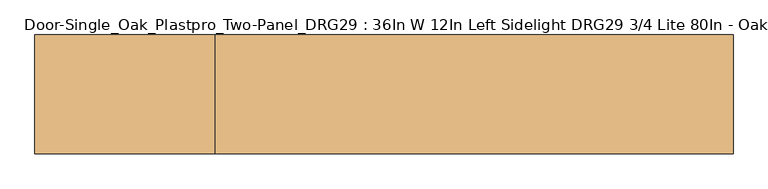
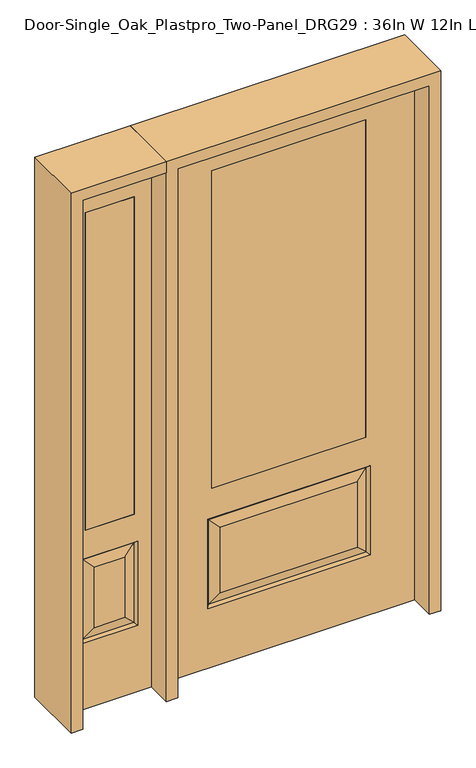
"""IFC4 building model written with IfcOpenShell, lengths in millimetres: door geometry, Door-Single_Oak_Plastpro_Two-Panel_DRG29 : 36In W 12In Left Sidelight DRG29 3/4 Lite 80In - Oak."""

from ifc_helpers import new_model, si_unit, frame, origin, place, context, project, spatial, polyline, outline, extrude, faceted_brep, source, transform, mapped, element, save


def door_single_oak_plastpro_two_panel_drg29_36in_w_12in_left_978daed8(model_context):
    return source(origin(), model_context, "Body", "SolidModel", [
        extrude(outline(polyline([(-279.4, -20.6375), (-279.4, 20.6375), (279.4, 20.6375), (279.4, -20.6375), (-279.4, -20.6375)])), frame((0.0, 0.0, 685.8), z_axis=(0.0, 0.0, 1.0), x_axis=(1.0, 0.0, 0.0)), (0.0, 0.0, 1.0), 1219.2),
        faceted_brep([(-249.1224548, -20.6375, 274.7525452), (249.1224548, -20.6375, 274.7525452), (249.1224548, -20.6375, 525.3474548), (-249.1224548, -20.6375, 525.3474548), (457.2, -20.6375, 2032.0), (-457.2, -20.6375, 2032.0), (-457.2, -20.6375, 0.0), (457.2, -20.6375, 0.0), (295.1599548, -20.6375, 228.7150452), (-295.1599548, -20.6375, 228.7150452), (-295.1599548, -20.6375, 571.3849548), (295.1599548, -20.6375, 571.3849548), (-279.4, -20.6375, 1905.0), (279.4, -20.6375, 1905.0), (279.4, -20.6375, 685.8), (-279.4, -20.6375, 685.8), (-279.4, 20.6375, 1905.0), (-279.4, 20.6375, 685.8), (279.4, 20.6375, 685.8), (249.1224548, 20.6375, 274.7525452), (-249.1224548, 20.6375, 274.7525452), (-249.1224548, 20.6375, 525.3474548), (249.1224548, 20.6375, 525.3474548), (-457.2, 20.6375, 2032.0), (457.2, 20.6375, 2032.0), (457.2, 20.6375, 0.0), (-457.2, 20.6375, 0.0), (-295.1599548, 20.6375, 228.7150452), (295.1599548, 20.6375, 228.7150452), (295.1599548, 20.6375, 571.3849548), (-295.1599548, 20.6375, 571.3849548), (279.4, 20.6375, 1905.0), (286.1796986, -11.6572439, 237.6953014), (-286.1796986, -11.6572439, 237.6953014), (-286.1796986, -11.6572439, 562.4046986), (286.1796986, -11.6572439, 562.4046986), (286.1796986, 11.6572439, 237.6953014), (-286.1796986, 11.6572439, 237.6953014), (-286.1796986, 11.6572439, 562.4046986), (286.1796986, 11.6572439, 562.4046986)], [[[0, 1, 2, 3]], [[4, 5, 6, 7], [8, 9, 10, 11], [12, 13, 14, 15]], [[16, 12, 15, 17]], [[17, 15, 14, 18]], [[19, 20, 21, 22]], [[23, 24, 25, 26], [27, 28, 29, 30], [31, 16, 17, 18]], [[13, 31, 18, 14]], [[6, 26, 25, 7]], [[5, 23, 26, 6]], [[24, 4, 7, 25]], [[32, 33, 9, 8]], [[9, 33, 34, 10]], [[10, 34, 35, 11]], [[32, 8, 11, 35]], [[33, 32, 1, 0]], [[1, 32, 35, 2]], [[34, 3, 2, 35]], [[33, 0, 3, 34]], [[36, 37, 20, 19]], [[20, 37, 38, 21]], [[21, 38, 39, 22]], [[36, 19, 22, 39]], [[37, 36, 28, 27]], [[28, 36, 39, 29]], [[38, 30, 29, 39]], [[37, 27, 30, 38]], [[12, 16, 31, 13]], [[5, 4, 24, 23]]]),
        extrude(outline(polyline([(-739.775, -20.6375), (-739.775, 20.6375), (-561.975, 20.6375), (-561.975, -20.6375), (-739.775, -20.6375)])), frame((0.0, 0.0, 685.8), z_axis=(0.0, 0.0, 1.0), x_axis=(1.0, 0.0, 0.0)), (0.0, 0.0, 1.0), 1219.2),
        faceted_brep([(-739.775, -20.6375, 1905.0), (-739.775, 20.6375, 1905.0), (-561.975, 20.6375, 1905.0), (-561.975, -20.6375, 1905.0), (-706.3224548, -20.6375, 531.6974548), (-706.3224548, -20.6375, 300.1525452), (-595.4275452, -20.6375, 300.1525452), (-595.4275452, -20.6375, 531.6974548), (-498.475, -20.6375, 2032.0), (-803.275, -20.6375, 2032.0), (-803.275, -20.6375, 0.0), (-498.475, -20.6375, 0.0), (-752.3599548, -20.6375, 254.1150452), (-752.3599548, -20.6375, 577.7349548), (-549.3900452, -20.6375, 577.7349548), (-549.3900452, -20.6375, 254.1150452), (-561.975, -20.6375, 685.8), (-739.775, -20.6375, 685.8), (-743.3796986, 11.6572439, 568.7546986), (-743.3796986, 11.6572439, 263.0953014), (-752.3599548, 20.6375, 254.1150452), (-752.3599548, 20.6375, 577.7349548), (-549.3900452, 20.6375, 577.7349548), (-558.3703014, 11.6572439, 568.7546986), (-706.3224548, 20.6375, 531.6974548), (-706.3224548, 20.6375, 300.1525452), (-739.775, 20.6375, 685.8), (-561.975, 20.6375, 685.8), (-743.3796986, -11.6572439, 263.0953014), (-558.3703014, -11.6572439, 263.0953014), (-558.3703014, -11.6572439, 568.7546986), (-743.3796986, -11.6572439, 568.7546986), (-498.475, 20.6375, 2032.0), (-803.275, 20.6375, 2032.0), (-498.475, 20.6375, 0.0), (-803.275, 20.6375, 0.0), (-549.3900452, 20.6375, 254.1150452), (-595.4275452, 20.6375, 531.6974548), (-595.4275452, 20.6375, 300.1525452), (-558.3703014, 11.6572439, 263.0953014)], [[[0, 1, 2, 3]], [[4, 5, 6, 7]], [[8, 9, 10, 11], [12, 13, 14, 15], [0, 3, 16, 17]], [[18, 19, 20, 21]], [[18, 21, 22, 23]], [[19, 18, 24, 25]], [[26, 17, 16, 27]], [[5, 28, 29, 6]], [[6, 29, 30, 7]], [[28, 31, 13, 12]], [[32, 33, 9, 8]], [[34, 11, 10, 35]], [[32, 8, 11, 34]], [[9, 33, 35, 10]], [[33, 32, 34, 35], [21, 20, 36, 22], [2, 1, 26, 27]], [[25, 24, 37, 38]], [[20, 19, 39, 36]], [[36, 39, 23, 22]], [[24, 18, 23, 37]], [[39, 38, 37, 23]], [[19, 25, 38, 39]], [[1, 0, 17, 26]], [[3, 2, 27, 16]], [[31, 28, 5, 4]], [[31, 4, 7, 30]], [[13, 31, 30, 14]], [[29, 15, 14, 30]], [[28, 12, 15, 29]]]),
        extrude(outline(polyline([(2032.0, -498.475), (2073.275, -498.475), (2073.275, -844.55), (0.0, -844.55), (0.0, -803.275), (2032.0, -803.275), (2032.0, -498.475)])), frame((0.0, -114.3, 0.0), z_axis=(0.0, 1.0, 0.0), x_axis=(0.0, 0.0, 1.0)), (0.0, 0.0, 1.0), 228.6),
        extrude(outline(polyline([(2073.275, -498.475), (0.0, -498.475), (0.0, -457.2), (2032.0, -457.2), (2032.0, 457.2), (0.0, 457.2), (0.0, 498.475), (2073.275, 498.475), (2073.275, -498.475)])), frame((0.0, -114.3, 0.0), z_axis=(0.0, 1.0, 0.0), x_axis=(0.0, 0.0, 1.0)), (0.0, 0.0, 1.0), 228.6),
    ])


if __name__ == "__main__":
    model = new_model("IFC4")
    model_context = context("Model", 3, world=origin())
    ifc_project = project(units=[si_unit("LENGTHUNIT", "METRE", prefix="MILLI")], contexts=[model_context])
    site = spatial("IfcSite", under=ifc_project)
    building = spatial("IfcBuilding", under=site)
    placement = place(None, origin())
    door_single_oak_plastpro_two_panel_drg29_36in_w_12in_left_shape = door_single_oak_plastpro_two_panel_drg29_36in_w_12in_left_978daed8(model_context)
    element("IfcDoor", 1, ObjectType="Door-Single_Oak_Plastpro_Two-Panel_DRG29 : 36In W 12In Left Sidelight DRG29 3/4 Lite 80In - Oak", at=placement, inside=building, context=model_context, shape_type="MappedRepresentation", body=[
        mapped(door_single_oak_plastpro_two_panel_drg29_36in_w_12in_left_shape, transform((0.0, 0.0, 0.0), x_axis=(1.0, 0.0, 0.0), y_axis=(0.0, 1.0, 0.0), z_axis=(0.0, 0.0, 1.0))),
    ])
    save(model, "model.ifc")
